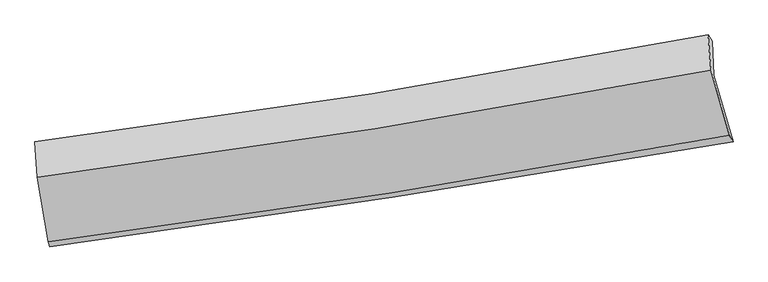
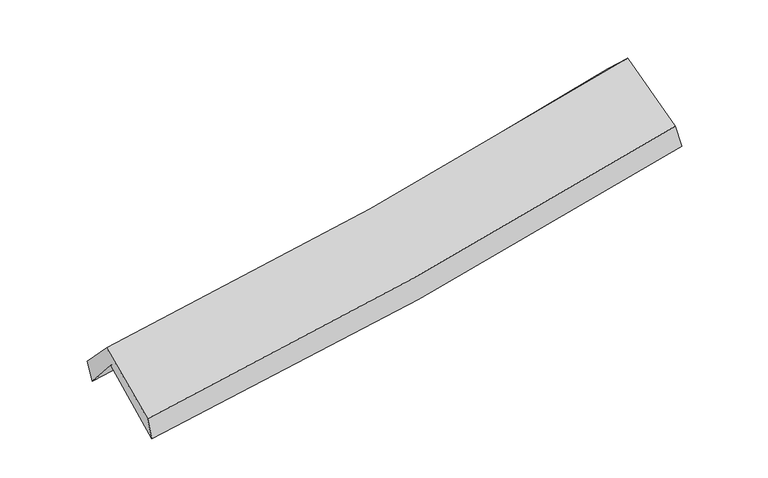
"""IFC4 building model written with IfcOpenShell, lengths in millimetres: proxy geometry."""

from ifc_helpers import new_model, si_unit, frame, origin, place, context, project, spatial, source, transform, mapped, element, save
from ifc_brep_helpers import plane_surface, spline_curve, spline_surface, advanced_brep


def generic_models_c9e2a5a7(model_context):
    return source(origin(), model_context, "Body", "AdvancedBrep", [
        advanced_brep(
        [(-2553.6299324, -2491.3496452, 1477.1616046), (-2638.5147549, -1997.5610702, 1910.7466332), (2572.85297, -1167.3273643, 2383.1426707), (2721.3066353, -1681.3357867, 1943.2758977), (-2653.7098353, -1731.2719458, 1604.2041638), (2559.6040429, -904.6765885, 2060.822433), (-2669.531931, -1679.0332249, 1770.9699365), (2528.1137711, -855.5462456, 2254.0422462), (-2652.2061932, -1952.7117832, 2055.8213042), (2550.7116671, -1128.9923436, 2512.6757872), (-2568.3148934, -2450.6746738, 1648.8057385), (2691.9397491, -1630.1857483, 2114.5724285)],
        [
            (0, 1),
            (1, 2, spline_curve(3, [(-2638.5147549, -1997.5610702, 1910.7466332), (-1764.708340378, -1883.706320934, 1960.539108511), (-894.068712674, -1757.695508171, 2024.73378349), (843.069893503, -1481.012476901, 2182.126221522), (1709.552840739, -1330.278721072, 2275.396892226), (2572.85297, -1167.3273643, 2383.1426707)], [4, 2, 4], [0.0, 8.730728150888766, 17.483527106361734])),
            (2, 3),
            (3, 0, spline_curve(3, [(2721.3066353, -1681.3357867, 1943.2758977), (1846.977740112, -1832.218092509, 1832.770802273), (969.676584384, -1975.235696397, 1738.64701601), (-788.650575209, -2245.200703356, 1583.358093972), (-1669.661608899, -2372.18771882, 1522.110449458), (-2553.6299324, -2491.3496452, 1477.1616046)], [4, 2, 4], [0.0, 8.752798955472969, 17.483527106361734])),
            (1, 4),
            (4, 5, spline_curve(3, [(-2653.7098353, -1731.2719458, 1604.2041638), (-1779.763752207, -1618.665781973, 1652.439516038), (-908.892431863, -1493.582480821, 1714.543150185), (828.894426231, -1218.113857692, 1866.679034674), (1695.794398479, -1067.665373175, 1956.781490345), (2559.6040429, -904.6765885, 2060.822433)], [4, 2, 4], [0.0, 8.68260078506313, 17.387150711354565])),
            (5, 2),
            (4, 6),
            (6, 7, spline_curve(3, [(-2669.531931, -1679.0332249, 1770.9699365), (-1797.873817603, -1568.998330121, 1823.744818368), (-929.450313164, -1445.460664222, 1890.320023716), (803.114628704, -1171.033359428, 2051.274265636), (1667.239691464, -1020.075365487, 2145.723163858), (2528.1137711, -855.5462456, 2254.0422462)], [4, 2, 4], [0.0, 8.671544154216182, 17.365009499100925])),
            (7, 5),
            (6, 8),
            (8, 9, spline_curve(3, [(-2652.2061932, -1952.7117832, 2055.8213042), (-1780.758171757, -1840.462309244, 2110.460860991), (-912.001607752, -1715.796633302, 2175.790274694), (822.317970505, -1441.286341186, 2328.020987074), (1687.867360082, -1291.378870754, 2414.976401263), (2550.7116671, -1128.9923436, 2512.6757872)], [4, 2, 4], [0.0, 8.662530593990875, 17.346959592861666])),
            (9, 7),
            (8, 10),
            (10, 11, spline_curve(3, [(-2568.3148934, -2450.6746738, 1648.8057385), (-1686.625659077, -2339.440606502, 1708.453592299), (-807.976015202, -2215.551805065, 1777.031125591), (945.457586261, -1942.119558123, 1932.241484214), (1820.226156426, -1792.512051369, 2018.919514601), (2691.9397491, -1630.1857483, 2114.5724285)], [4, 2, 4], [0.0, 8.710905303682836, 17.443831300873292])),
            (11, 9),
            (10, 0),
            (3, 11),
        ],
        [
            spline_surface(3, 3, [[(-2553.6299324, -2491.3496452, 1477.1616046), (-1669.661609007, -2372.187718684, 1522.110449425), (-788.650575347, -2245.200703232, 1583.358094029), (969.676584522, -1975.23569652, 1738.647015953), (1846.97774009, -1832.218092502, 1832.770802378), (2721.3066353, -1681.3357867, 1943.2758977)], [(-2581.924873222, -2326.753453522, 1621.689947477), (-1701.343852787, -2209.360586114, 1668.253335812), (-823.789954424, -2082.698971563, 1730.483323879), (927.474354194, -1810.494623345, 1886.473417773), (1801.169440296, -1664.904968716, 1980.312832332), (2671.822080192, -1509.999645893, 2089.898155364)], [(-2610.219814078, -2162.157261878, 1766.218290323), (-1733.026096602, -2046.533453577, 1814.396222168), (-858.929333567, -1920.19723982, 1877.608553739), (885.2721238, -1645.753550097, 2034.299819604), (1755.361140527, -1497.591844952, 2127.854862292), (2622.337525108, -1338.663505107, 2236.520413036)], [(-2638.5147549, -1997.5610702, 1910.7466332), (-1764.708340382, -1883.706321007, 1960.539108556), (-894.068712643, -1757.695508151, 2024.733783589), (843.069893473, -1481.012476921, 2182.126221423), (1709.552840734, -1330.278721166, 2275.396892246), (2572.85297, -1167.3273643, 2383.1426707)]], [4, 4], [4, 2, 4], [0.0, 2.2012589631167856], [0.0, 8.730728150888766, 17.483527106361734]),
            spline_surface(3, 3, [[(-2638.5147549, -1997.5610702, 1910.7466332), (-1764.708340382, -1883.706321007, 1960.539108556), (-894.068712643, -1757.695508151, 2024.733783589), (843.069893473, -1481.012476921, 2182.126221423), (1709.552840734, -1330.278721166, 2275.396892246), (2572.85297, -1167.3273643, 2383.1426707)], [(-2643.579781706, -1908.79802872, 1808.565810052), (-1769.726811025, -1795.359474684, 1857.839244394), (-899.009952404, -1669.657832341, 1921.336905797), (838.344737694, -1393.379603863, 2076.977159217), (1704.966693338, -1242.740938557, 2169.19175831), (2568.436660992, -1079.777105707, 2275.702591469)], [(-2648.644808494, -1820.03498728, 1706.384986948), (-1774.745281651, -1707.012628401, 1755.139380276), (-903.951192086, -1581.620156554, 1817.940027926), (833.619581994, -1305.746730828, 1971.828096933), (1700.380545867, -1155.203155926, 2062.986624367), (2564.020351908, -992.226847093, 2168.262512231)], [(-2653.7098353, -1731.2719458, 1604.2041638), (-1779.763752293, -1618.665782078, 1652.439516114), (-908.892431847, -1493.582480744, 1714.543150133), (828.894426215, -1218.113857769, 1866.679034726), (1695.794398472, -1067.665373317, 1956.781490431), (2559.6040429, -904.6765885, 2060.822433)]], [4, 4], [4, 2, 4], [0.0, 1.342759833289891], [0.0, 8.68260078506313, 17.387150711354565]),
            spline_surface(3, 3, [[(-2653.7098353, -1731.2719458, 1604.2041638), (-1779.763752293, -1618.665782078, 1652.439516114), (-908.892431847, -1493.582480744, 1714.543150133), (828.894426215, -1218.113857769, 1866.679034726), (1695.794398472, -1067.665373317, 1956.781490431), (2559.6040429, -904.6765885, 2060.822433)], [(-2658.983867205, -1713.859038859, 1659.792754704), (-1785.800440758, -1602.109964802, 1709.541283554), (-915.745058936, -1477.541875257, 1773.135441295), (820.301160402, -1202.420358285, 1928.2107784), (1686.276162832, -1051.802037366, 2019.76204822), (2549.107285637, -888.299807523, 2125.229037416)], [(-2664.257899095, -1696.446131841, 1715.381345596), (-1791.837129206, -1585.554147448, 1766.643050982), (-922.597686086, -1461.501269794, 1831.72773245), (811.707894528, -1186.726858826, 1989.742522068), (1676.75792718, -1035.938701445, 2082.742605961), (2538.610528363, -871.923026577, 2189.635641784)], [(-2669.531931, -1679.0332249, 1770.9699365), (-1797.87381767, -1568.998330173, 1823.744818422), (-929.450313175, -1445.460664307, 1890.320023611), (803.114628715, -1171.033359342, 2051.274265741), (1667.239691539, -1020.075365494, 2145.72316375), (2528.1137711, -855.5462456, 2254.0422462)]], [4, 4], [4, 2, 4], [0.0, 0.6161856787513844], [0.0, 8.671544154216182, 17.365009499100925]),
            spline_surface(3, 3, [[(-2669.531931, -1679.0332249, 1770.9699365), (-1797.87381767, -1568.998330173, 1823.744818422), (-929.450313175, -1445.460664307, 1890.320023611), (803.114628715, -1171.033359342, 2051.274265741), (1667.239691539, -1020.075365494, 2145.72316375), (2528.1137711, -855.5462456, 2254.0422462)], [(-2663.756685057, -1770.259410996, 1865.920392425), (-1792.168602355, -1659.486323239, 1919.316832667), (-923.634078055, -1535.572653985, 1985.476773922), (809.515742649, -1261.117686603, 2143.523172877), (1674.11558101, -1110.509867233, 2235.47424296), (2535.646403069, -946.694944964, 2340.253426541)], [(-2657.981439143, -1861.485597104, 1960.870848275), (-1786.46338707, -1749.974316318, 2014.888846839), (-917.817842909, -1625.684643674, 2080.633524271), (815.916856608, -1351.202013876, 2235.772080051), (1680.991470573, -1200.94436888, 2325.225322147), (2543.179035131, -1037.843644236, 2426.464606859)], [(-2652.2061932, -1952.7117832, 2055.8213042), (-1780.758171755, -1840.462309384, 2110.460861085), (-912.001607789, -1715.796633352, 2175.790274582), (822.317970542, -1441.286341137, 2328.020987187), (1687.867360044, -1291.378870619, 2414.976401356), (2550.7116671, -1128.9923436, 2512.6757872)]], [4, 4], [4, 2, 4], [0.0, 1.2808339931504198], [0.0, 8.662530593990875, 17.346959592861666]),
            spline_surface(3, 3, [[(-2652.2061932, -1952.7117832, 2055.8213042), (-1780.758171755, -1840.462309384, 2110.460861085), (-912.001607789, -1715.796633352, 2175.790274582), (822.317970542, -1441.286341137, 2328.020987187), (1687.867360044, -1291.378870619, 2414.976401356), (2550.7116671, -1128.9923436, 2512.6757872)], [(-2624.242426605, -2118.699413395, 1920.149448961), (-1749.380667523, -2006.788408438, 1976.458438178), (-877.326410241, -1882.381690554, 2042.870558236), (863.36450912, -1608.230746847, 2196.094486231), (1731.986958886, -1458.423264185, 2282.957439059), (2597.787694437, -1296.056811804, 2379.97466762)], [(-2596.278659995, -2284.687043605, 1784.477593739), (-1718.003163277, -2173.114507507, 1842.456015289), (-842.651212729, -2048.966747736, 1909.95084186), (904.411047661, -1775.175152539, 2064.167985246), (1776.106557717, -1625.467657838, 2150.938476804), (2644.863721763, -1463.121280096, 2247.27354808)], [(-2568.3148934, -2450.6746738, 1648.8057385), (-1686.625659046, -2339.440606561, 1708.453592383), (-807.97601518, -2215.551804938, 1777.031125515), (945.457586239, -1942.11955825, 1932.241484291), (1820.226156559, -1792.512051403, 2018.919514507), (2691.9397491, -1630.1857483, 2114.5724285)]], [4, 4], [4, 2, 4], [0.0, 2.128812769173592], [0.0, 8.710905303682836, 17.443831300873292]),
            spline_surface(3, 3, [[(-2568.3148934, -2450.6746738, 1648.8057385), (-1686.625659046, -2339.440606561, 1708.453592383), (-807.97601518, -2215.551804938, 1777.031125515), (945.457586239, -1942.11955825, 1932.241484291), (1820.226156559, -1792.512051403, 2018.919514507), (2691.9397491, -1630.1857483, 2114.5724285)], [(-2563.419906406, -2464.232997608, 1591.591027181), (-1680.970975705, -2350.35631061, 1646.339211378), (-801.534201922, -2225.434771026, 1712.473448331), (953.530585647, -1953.158270996, 1867.709994823), (1829.143351075, -1805.747398445, 1956.869943788), (2701.728711173, -1647.235761108, 2057.47358489)], [(-2558.524919394, -2477.791321392, 1534.376315919), (-1675.316292347, -2361.272014635, 1584.22483043), (-795.092388605, -2235.317737145, 1647.915771213), (961.603585114, -1964.196983774, 1803.178505421), (1838.060545573, -1818.982745461, 1894.820373098), (2711.517673227, -1664.285773892, 2000.37474131)], [(-2553.6299324, -2491.3496452, 1477.1616046), (-1669.661609007, -2372.187718684, 1522.110449425), (-788.650575347, -2245.200703232, 1583.358094029), (969.676584522, -1975.23569652, 1738.647015953), (1846.97774009, -1832.218092502, 1832.770802378), (2721.3066353, -1681.3357867, 1943.2758977)]], [4, 4], [4, 2, 4], [0.0, 0.647526880931024], [0.0, 8.767973937780187, 17.558112835462424]),
            plane_surface(frame((2604.0881392, -1228.0106795, 2211.4219106), z_axis=(0.9761173183248884, 0.18632354752459335, 0.11170728044348413), x_axis=(0.2154644069516677, -0.7646449499000314, -0.6073657793532203))),
            plane_surface(frame((-2622.6512567, -2050.4337239, 1744.6182301), z_axis=(-0.9910523053509024, -0.12111776162734887, -0.05608757328537891), x_axis=(-0.08296216063163482, 0.22979179291089968, 0.9696973815650557))),
        ],
        [
            (0, [[1, 2, 3, 4]]),
            (1, [[5, 6, 7, -2]]),
            (2, [[8, 9, 10, -6]]),
            (3, [[11, 12, 13, -9]]),
            (4, [[14, 15, 16, -12]]),
            (5, [[17, -4, 18, -15]]),
            (6, [[-16, -18, -3, -7, -10, -13]]),
            (7, [[-17, -14, -11, -8, -5, -1]]),
        ],
    ),
    ])


if __name__ == "__main__":
    model = new_model("IFC4")
    model_context = context("Model", 3, world=origin())
    ifc_project = project(units=[si_unit("LENGTHUNIT", "METRE", prefix="MILLI")], contexts=[model_context])
    site = spatial("IfcSite", under=ifc_project)
    building = spatial("IfcBuilding", under=site)
    placement = place(None, origin())
    generic_models_shape = generic_models_c9e2a5a7(model_context)
    element("IfcBuildingElementProxy", 1, Name="Generic Models", at=placement, inside=building, context=model_context, shape_type="MappedRepresentation", body=[
        mapped(generic_models_shape, transform((0.0, 0.0, 0.0), x_axis=(1.0, 0.0, 0.0), y_axis=(0.0, 1.0, 0.0), z_axis=(0.0, 0.0, 1.0))),
    ])
    save(model, "model.ifc")
